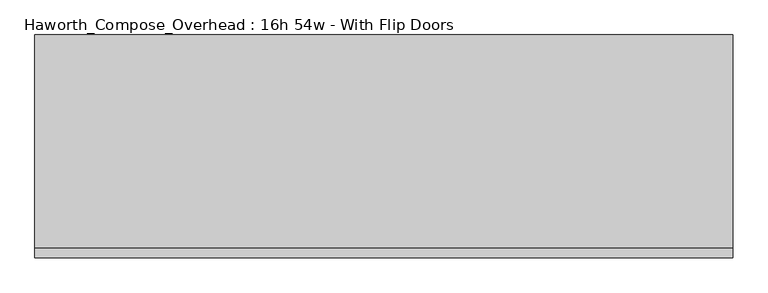
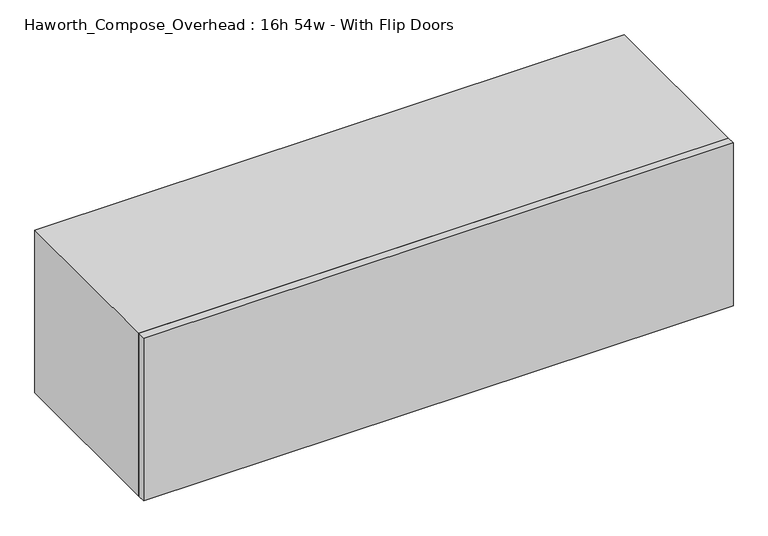
"""IFC4 building model written with IfcOpenShell, lengths in millimetres: furniture geometry, Haworth_Compose_Overhead : 16h 54w - With Flip Doors."""

from ifc_helpers import new_model, si_unit, frame, origin, place, context, project, spatial, polyline, outline, extrude, source, transform, mapped, element, save


def haworth_compose_overhead_16h_54w_with_flip_doors_09d18192(model_context):
    return source(origin(), model_context, "Body", "SweptSolid", [
        extrude(outline(polyline([(850.9, -438.15), (-520.7, -438.15), (-520.7, -419.1), (850.9, -419.1), (850.9, -438.15)])), frame((0.0, 0.0, 1270.0), z_axis=(0.0, 0.0, 1.0), x_axis=(1.0, 0.0, 0.0)), (0.0, 0.0, 1.0), 400.05),
        extrude(outline(polyline([(825.5, -6.35), (-495.3, -6.35), (-495.3, 0.0), (825.5, 0.0), (825.5, -6.35)])), frame((0.0, 0.0, 1295.4), z_axis=(0.0, 0.0, 1.0), x_axis=(1.0, 0.0, 0.0)), (0.0, 0.0, 1.0), 349.25),
        extrude(outline(polyline([(1270.0, 850.9), (1670.05, 850.9), (1670.05, -520.7), (1270.0, -520.7), (1270.0, 850.9)]), holes=[polyline([(1644.65, 825.5), (1295.4, 825.5), (1295.4, -495.3), (1644.65, -495.3), (1644.65, 825.5)])]), frame((0.0, -419.1, 0.0), z_axis=(0.0, 1.0, 0.0), x_axis=(0.0, 0.0, 1.0)), (0.0, 0.0, 1.0), 419.1),
    ])


if __name__ == "__main__":
    model = new_model("IFC4")
    model_context = context("Model", 3, world=origin())
    ifc_project = project(units=[si_unit("LENGTHUNIT", "METRE", prefix="MILLI")], contexts=[model_context])
    site = spatial("IfcSite", under=ifc_project)
    building = spatial("IfcBuilding", under=site)
    placement = place(None, origin())
    haworth_compose_overhead_16h_54w_with_flip_doors_shape = haworth_compose_overhead_16h_54w_with_flip_doors_09d18192(model_context)
    element("IfcFurniture", 1, ObjectType="Haworth_Compose_Overhead : 16h 54w - With Flip Doors", at=placement, inside=building, context=model_context, shape_type="MappedRepresentation", body=[
        mapped(haworth_compose_overhead_16h_54w_with_flip_doors_shape, transform((0.0, 0.0, 0.0), x_axis=(1.0, 0.0, 0.0), y_axis=(0.0, 1.0, 0.0), z_axis=(0.0, 0.0, 1.0))),
    ])
    save(model, "model.ifc")
